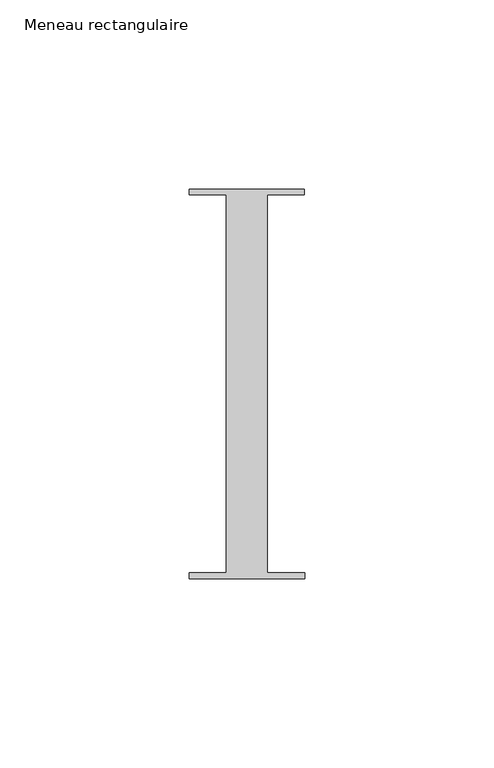
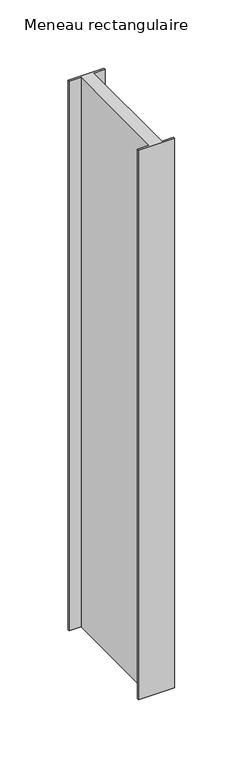
"""IFC4 building model written with IfcOpenShell, lengths in millimetres: member geometry, Meneau rectangulaire."""

import ifcopenshell
import ifcopenshell.guid

model = None  # the IFC model being written
_history = None  # IfcOwnerHistory: only IFC2X3 demands one
_inside = {}  # id of a spatial element -> (the spatial element, [elements in it])
_under = {}  # id of a project, library or spatial element -> (it, [spatial elements below it])
_declared = {}  # id of a project -> (the project, [libraries it declares])
_typed = {}  # id of a type object -> (the type object, [elements of that type])
_made_of = {}  # id of a material, layer set ... -> (it, [elements and type objects made of it])


def new_model(schema):
    """Start an empty IFC model of exactly this schema.

    Asked for "IFC4X3", IfcOpenShell would pick the latest addendum, in which some entities
    have other attributes; the version numbers below select the first issue.
    IFC2X3 requires an IfcOwnerHistory on every rooted entity: one is made here for all.
    """
    global model, _history
    if schema == "IFC4X3":
        model = ifcopenshell.file(schema_version=(4, 3, 0, 0))
    else:
        model = ifcopenshell.file(schema=schema)
    _inside.clear()
    _under.clear()
    _declared.clear()
    _typed.clear()
    _made_of.clear()
    _history = None
    if model.schema == "IFC2X3":
        org = make("IfcOrganization", Name="unknown")
        user = make(
            "IfcPersonAndOrganization",
            ThePerson=make("IfcPerson", FamilyName="unknown"),
            TheOrganization=org,
        )
        app = make(
            "IfcApplication",
            ApplicationDeveloper=org,
            Version="unknown",
            ApplicationFullName="unknown",
            ApplicationIdentifier="unknown",
        )
        _history = make(
            "IfcOwnerHistory",
            OwningUser=user,
            OwningApplication=app,
            ChangeAction="ADDED",
            CreationDate=0,
        )
    return model


def make(cls, **values):
    """One entity of the class cls with the attributes given. An attribute that is None is left unset."""
    return model.create_entity(
        cls, **{name: value for name, value in values.items() if value is not None}
    )


def rooted(cls, **values):
    """An entity with a GlobalId (a new one), such as an element, a storey or a relation."""
    return make(cls, GlobalId=ifcopenshell.guid.new(), OwnerHistory=_history, **values)


def si_unit(unit_type, name, prefix=None):
    """IfcSIUnit, for example si_unit("LENGTHUNIT", "METRE", prefix="MILLI")."""
    return make("IfcSIUnit", UnitType=unit_type, Prefix=prefix, Name=name)


def assignment(units):
    """IfcUnitAssignment: the units of a project."""
    return None if units is None else make("IfcUnitAssignment", Units=units)


def point(xyz):
    """IfcCartesianPoint."""
    return None if xyz is None else make("IfcCartesianPoint", Coordinates=xyz)


def direction(xyz):
    """IfcDirection."""
    return None if xyz is None else make("IfcDirection", DirectionRatios=xyz)


def frame(location, z_axis=None, x_axis=None):
    """IfcAxis2Placement3D, a coordinate frame: its origin and axes. An axis left out is left unset."""
    return make(
        "IfcAxis2Placement3D",
        Location=point(location),
        Axis=direction(z_axis),
        RefDirection=direction(x_axis),
    )


def origin():
    """The frame at (0, 0, 0) with its axes left unset."""
    return frame((0.0, 0.0, 0.0))


def place(relative_to, where):
    """IfcLocalPlacement: puts the frame where relative to a parent placement (None: the world)."""
    return make(
        "IfcLocalPlacement", PlacementRelTo=relative_to, RelativePlacement=where
    )


def context(
    kind, dimensions, precision=None, world=None, true_north=None, identifier=None
):
    """IfcGeometricRepresentationContext, for example the 3D "Model" context."""
    return make(
        "IfcGeometricRepresentationContext",
        ContextIdentifier=identifier,
        ContextType=kind,
        CoordinateSpaceDimension=dimensions,
        Precision=precision,
        WorldCoordinateSystem=world,
        TrueNorth=true_north,
    )


def project(units=None, contexts=None):
    """IfcProject with its units and contexts."""
    return rooted(
        "IfcProject",
        Name="project",
        RepresentationContexts=contexts,
        UnitsInContext=assignment(units),
    )


def spatial(cls, under=None, at=None, **own):
    """A site, building, storey or space (cls), placed at a placement, below another one or the project."""
    s = rooted(cls, ObjectPlacement=at, **own)
    if under is not None:
        _under.setdefault(under.id(), (under, []))[1].append(s)
    return s


def polyline(points):
    """IfcPolyline through the points."""
    return make("IfcPolyline", Points=[point(p) for p in points])


def outline(outer, holes=None, kind="AREA"):
    """IfcArbitraryClosedProfileDef: a profile drawn as a closed curve; with holes, ...WithVoids."""
    if holes is None:
        return make("IfcArbitraryClosedProfileDef", ProfileType=kind, OuterCurve=outer)
    return make(
        "IfcArbitraryProfileDefWithVoids",
        ProfileType=kind,
        OuterCurve=outer,
        InnerCurves=holes,
    )


def extrude(swept, where, along, depth):
    """IfcExtrudedAreaSolid: the profile swept, set in the frame where, extruded along a direction by depth."""
    return make(
        "IfcExtrudedAreaSolid",
        SweptArea=swept,
        Position=where,
        ExtrudedDirection=direction(along),
        Depth=depth,
    )


def shape(context_of_items, identifier, shape_type, items):
    """IfcShapeRepresentation: the items that make up one representation, for example the "Body"."""
    return make(
        "IfcShapeRepresentation",
        ContextOfItems=context_of_items,
        RepresentationIdentifier=identifier,
        RepresentationType=shape_type,
        Items=items,
    )


def source(mapping_origin, context_of_items, identifier, shape_type, items):
    """IfcRepresentationMap: a shape defined once, which mapped items show again and again."""
    return make(
        "IfcRepresentationMap",
        MappingOrigin=mapping_origin,
        MappedRepresentation=shape(context_of_items, identifier, shape_type, items),
    )


def transform(
    local_origin,
    x_axis=None,
    y_axis=None,
    z_axis=None,
    scale=None,
    scale2=None,
    scale3=None,
    uniform=True,
):
    """IfcCartesianTransformationOperator3D, or its non-uniform kind. x_axis, y_axis, z_axis: its Axis1, 2, 3."""
    if uniform:
        return make(
            "IfcCartesianTransformationOperator3D",
            Axis1=direction(x_axis),
            Axis2=direction(y_axis),
            LocalOrigin=point(local_origin),
            Scale=scale,
            Axis3=direction(z_axis),
        )
    return make(
        "IfcCartesianTransformationOperator3DnonUniform",
        Axis1=direction(x_axis),
        Axis2=direction(y_axis),
        LocalOrigin=point(local_origin),
        Scale=scale,
        Axis3=direction(z_axis),
        Scale2=scale2,
        Scale3=scale3,
    )


def mapped(mapping_source, mapping_target):
    """IfcMappedItem: shows the shape of a source again, moved by a transform."""
    return make(
        "IfcMappedItem", MappingSource=mapping_source, MappingTarget=mapping_target
    )


def made_of(thing, what):
    """Note that an element or type object is made of a material, layer set ...; save() writes the relation."""
    if what is not None:
        _made_of.setdefault(what.id(), (what, []))[1].append(thing)
    return thing


def element(
    cls,
    number,
    at=None,
    inside=None,
    cuts=None,
    type_object=None,
    material=None,
    context=None,
    identifier="Body",
    shape_type=None,
    held_by="IfcProductDefinitionShape",
    body=None,
    shapes=None,
    **own,
):
    """One element of the class cls, such as IfcWall. Its Tag is "e" and its number.

    at: its placement. inside: the storey or other place that contains it. cuts: it is an
    opening in that element (IfcRelVoidsElement). A single representation is given by context,
    identifier, shape_type and body (its items); several are given by shapes. held_by: the class
    of the entity that holds the representations. save() writes the other relations.
    """
    e = rooted(cls, Tag="e%d" % number, ObjectPlacement=at, **own)
    if body is not None:
        shapes = [shape(context, identifier, shape_type, body)]
    if shapes is not None:
        e.Representation = make(held_by, Representations=shapes)
    if inside is not None:
        _inside.setdefault(inside.id(), (inside, []))[1].append(e)
    if cuts is not None:
        rooted(
            "IfcRelVoidsElement", RelatingBuildingElement=cuts, RelatedOpeningElement=e
        )
    if type_object is not None:
        _typed.setdefault(type_object.id(), (type_object, []))[1].append(e)
    return made_of(e, material)


def aggregate(whole, parts):
    """IfcRelAggregates: a whole, such as a stair, and the parts it consists of."""
    return rooted("IfcRelAggregates", RelatingObject=whole, RelatedObjects=parts)


def save(model, path):
    """Write the relations noted so far, then the file.

    IfcRelAggregates (storeys below a building ...), IfcRelContainedInSpatialStructure (elements
    in a storey), IfcRelDefinesByType, IfcRelAssociatesMaterial and IfcRelDeclares: one each for
    every whole, place, type object, material and project.
    """
    for whole, parts in _under.values():
        aggregate(whole, parts)
    for where, things in _inside.values():
        rooted(
            "IfcRelContainedInSpatialStructure",
            RelatedElements=things,
            RelatingStructure=where,
        )
    for kind, things in _typed.values():
        rooted("IfcRelDefinesByType", RelatedObjects=things, RelatingType=kind)
    for what, things in _made_of.values():
        rooted("IfcRelAssociatesMaterial", RelatedObjects=things, RelatingMaterial=what)
    for by, libraries in _declared.values():
        rooted("IfcRelDeclares", RelatingContext=by, RelatedDefinitions=libraries)
    model.write(path)


def meneau_rectangulaire_76ba054f(model_context):
    return source(origin(), model_context, "Body", "SweptSolid", [
        extrude(outline(polyline([(15.1919193, 51.5152664), (15.1934333, 50.0054494), (5.4028486, 50.0054494), (5.4028486, -49.9846825), (15.2937013, -49.9846825), (15.2952055, -51.4846817), (-15.2047792, -51.5152664), (-15.2062834, -50.0152672), (-5.4194144, -50.0152672), (-5.4194144, 49.9942223), (-15.3065707, 49.9942223), (-15.3080653, 51.4846817), (15.1919193, 51.5152664)])), frame((0.0, 0.0, -490.7999997), z_axis=(0.0, 0.0, 1.0), x_axis=(1.0, 0.0, 0.0)), (0.0, 0.0, 1.0), 490.7999997),
    ])


if __name__ == "__main__":
    model = new_model("IFC4")
    model_context = context("Model", 3, world=origin())
    ifc_project = project(units=[si_unit("LENGTHUNIT", "METRE", prefix="MILLI")], contexts=[model_context])
    site = spatial("IfcSite", under=ifc_project)
    building = spatial("IfcBuilding", under=site)
    placement = place(None, origin())
    meneau_rectangulaire_shape = meneau_rectangulaire_76ba054f(model_context)
    element("IfcMember", 1, ObjectType="Meneau rectangulaire", at=placement, inside=building, context=model_context, shape_type="MappedRepresentation", body=[
        mapped(meneau_rectangulaire_shape, transform((0.0, 0.0, 0.0), x_axis=(1.0, 0.0, 0.0), y_axis=(0.0, 1.0, 0.0), z_axis=(0.0, 0.0, 1.0))),
    ])
    save(model, "model.ifc")
